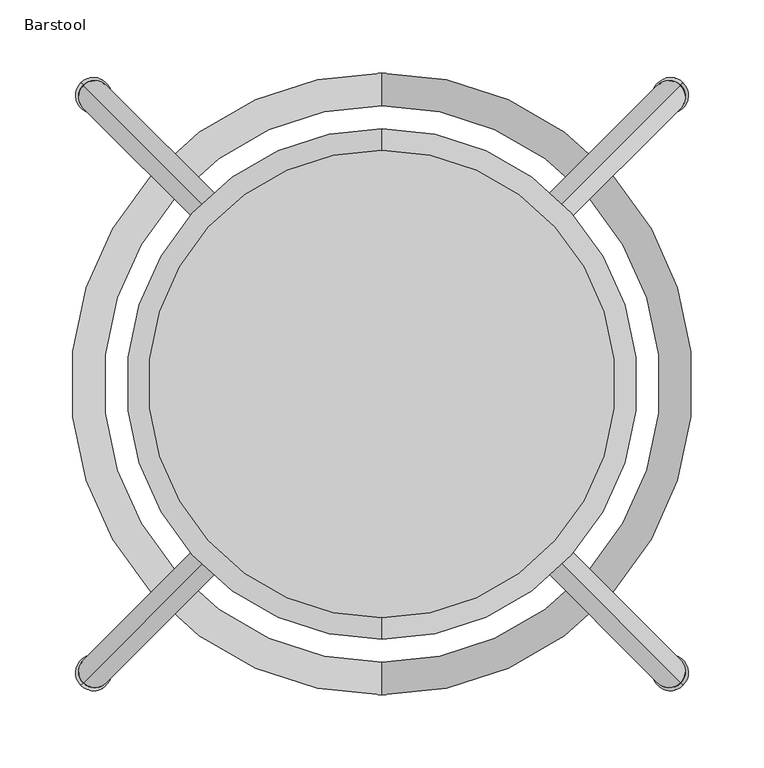
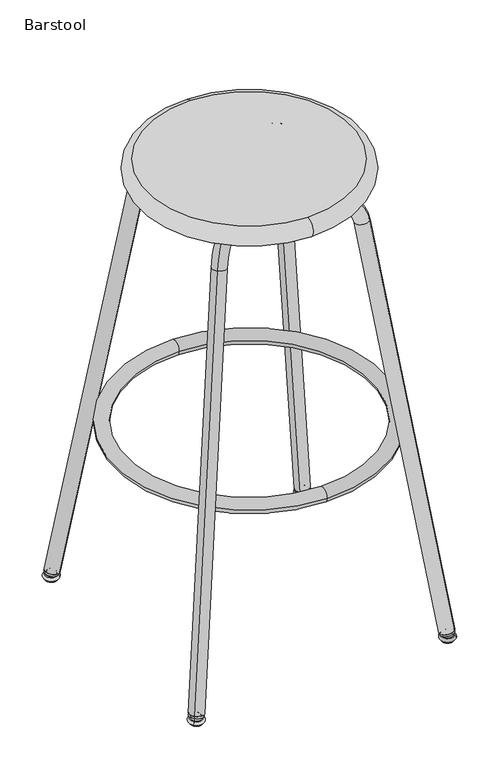
"""IFC4 building model written with IfcOpenShell, lengths in millimetres: furniture geometry, Barstool."""

from ifc_helpers import new_model, si_unit, point, frame, origin, origin_2d, place, context, project, spatial, circle_curve, ellipse_curve, trimmed, segment, composite_curve, outline, extrude, source, transform, mapped, element, save
from ifc_brep_helpers import plane_surface, cylinder_surface, revolved_surface, advanced_brep


def barstool_e946b330(model_context):
    return source(origin(), model_context, "Body", "SolidModel", [
        advanced_brep(
        [(197.848752, 197.8483342, 16.3000797), (192.2626132, 192.2621954, 8.4000865), (203.4348908, 203.4344729, 8.4000865), (191.0445948, 191.0441769, 8.4000865), (204.6529093, 204.6524914, 8.4000865), (191.1893838, 191.1889659, 3.1000115), (204.5081203, 204.5077024, 3.1000115), (191.1893838, 191.1889659, 1.4499962), (204.5081203, 204.5077024, 1.4499962), (192.2146859, 192.2142681, 0.0), (203.4828181, 203.4824003, 0.0), (197.848752, 197.8483342, 0.0)],
        [
            (0, 1, circle_curve(frame((197.848752, 197.8483342, 8.4000865), z_axis=(0.7071067811865481, -0.707106781186547, 0.0), x_axis=(0.707106781186547, 0.7071067811865481, 0.0)), 7.8999932)),
            (1, 2, circle_curve(frame((197.848752, 197.8483342, 8.4000865), z_axis=(0.0, 0.0, 1.0), x_axis=(-0.707106781186547, -0.7071067811865481, 0.0)), 7.8999932)),
            (2, 0, circle_curve(frame((197.848752, 197.8483342, 8.4000865), z_axis=(0.7071067811865458, -0.7071067811865493, 0.0), x_axis=(-0.7071067811865493, -0.7071067811865458, 0.0)), 7.8999932)),
            (2, 1, circle_curve(frame((197.848752, 197.8483342, 8.4000865), z_axis=(0.0, 0.0, 1.0), x_axis=(-0.707106781186547, -0.7071067811865481, 0.0)), 7.8999932)),
            (1, 3),
            (3, 4, circle_curve(frame((197.848752, 197.8483342, 8.4000865), z_axis=(0.0, 0.0, 1.0), x_axis=(-0.707106781186547, -0.7071067811865481, 0.0)), 9.6225315)),
            (4, 2),
            (4, 3, circle_curve(frame((197.848752, 197.8483342, 8.4000865), z_axis=(0.0, 0.0, 1.0), x_axis=(-0.707106781186547, -0.7071067811865481, 0.0)), 9.6225315)),
            (3, 5, circle_curve(frame((191.0445948, 191.0441769, 5.7460936), z_axis=(0.7071067811865481, -0.707106781186547, 0.0), x_axis=(0.707106781186547, 0.7071067811865481, 0.0)), 2.6539929)),
            (5, 6, circle_curve(frame((197.848752, 197.8483342, 3.1000115), z_axis=(0.0, 0.0, 1.0), x_axis=(-0.707106781186547, -0.7071067811865481, 0.0)), 9.4177689)),
            (6, 4, circle_curve(frame((204.6529093, 204.6524914, 5.7460936), z_axis=(0.7071067811865458, -0.7071067811865493, 0.0), x_axis=(-0.7071067811865493, -0.7071067811865458, 0.0)), 2.6539929)),
            (6, 5, circle_curve(frame((197.848752, 197.8483342, 3.1000115), z_axis=(0.0, 0.0, 1.0), x_axis=(-0.707106781186547, -0.7071067811865481, 0.0)), 9.4177689)),
            (5, 7),
            (7, 8, circle_curve(frame((197.848752, 197.8483342, 1.4499962), z_axis=(0.0, 0.0, 1.0), x_axis=(-0.707106781186547, -0.7071067811865481, 0.0)), 9.4177689)),
            (8, 6),
            (8, 7, circle_curve(frame((197.848752, 197.8483342, 1.4499962), z_axis=(0.0, 0.0, 1.0), x_axis=(-0.707106781186547, -0.7071067811865481, 0.0)), 9.4177689)),
            (7, 9, circle_curve(frame((192.2146859, 192.2142681, 1.4499962), z_axis=(0.7071067811865481, -0.707106781186547, 0.0), x_axis=(0.707106781186547, 0.7071067811865481, 0.0)), 1.4499962)),
            (9, 10, circle_curve(frame((197.848752, 197.8483342, 0.0), z_axis=(0.0, 0.0, 1.0), x_axis=(-0.707106781186547, -0.7071067811865481, 0.0)), 7.9677727)),
            (10, 8, circle_curve(frame((203.4828181, 203.4824003, 1.4499962), z_axis=(0.7071067811865458, -0.7071067811865493, 0.0), x_axis=(-0.7071067811865493, -0.7071067811865458, 0.0)), 1.4499962)),
            (10, 9, circle_curve(frame((197.848752, 197.8483342, 0.0), z_axis=(0.0, 0.0, 1.0), x_axis=(-0.707106781186547, -0.7071067811865481, 0.0)), 7.9677727)),
            (9, 11),
            (11, 10),
        ],
        [
            revolved_surface(trimmed(ellipse_curve(frame((197.848752, 197.8483342, 8.4000865), z_axis=(-0.7071067811865481, 0.707106781186547, 0.0), x_axis=(0.707106781186547, 0.7071067811865481, 0.0)), 7.8999932, 7.8999932), [point((192.2626132, 192.2621954, 8.4000865))], [point((197.848752, 197.8483342, 16.3000797))], True, "CARTESIAN"), (197.848752, 197.8483342, 16.3000797), (0.0, 0.0, 1.0)),
            plane_surface(frame((197.848752, 197.8483342, 8.4000865), z_axis=(0.0, 0.0, 1.0000000000000002), x_axis=(-0.707106781186547, -0.7071067811865481, 0.0))),
            revolved_surface(trimmed(ellipse_curve(frame((191.0445948, 191.0441769, 5.7460936), z_axis=(-0.7071067811865481, 0.707106781186547, 0.0), x_axis=(0.707106781186547, 0.7071067811865481, 0.0)), 2.6539929, 2.6539929), [point((191.1893838, 191.1889659, 3.1000115))], [point((191.0445948, 191.0441769, 8.4000865))], True, "CARTESIAN"), (197.848752, 197.8483342, 16.3000797), (0.0, 0.0, 1.0)),
            cylinder_surface(frame((197.848752, 197.8483342, 16.3000797), z_axis=(0.0, 0.0, 1.0), x_axis=(-0.707106781186547, -0.7071067811865481, 0.0)), 9.4177689),
            revolved_surface(trimmed(ellipse_curve(frame((192.2146859, 192.2142681, 1.4499962), z_axis=(-0.7071067811865481, 0.707106781186547, 0.0), x_axis=(0.707106781186547, 0.7071067811865481, 0.0)), 1.4499962, 1.4499962), [point((192.2146859, 192.2142681, 0.0))], [point((191.1893838, 191.1889659, 1.4499962))], True, "CARTESIAN"), (197.848752, 197.8483342, 16.3000797), (0.0, 0.0, 1.0)),
            plane_surface(frame((197.848752, 197.8483342, 0.0), z_axis=(0.0, 0.0, -1.0000000000000002), x_axis=(-0.707106781186547, -0.7071067811865481, 0.0))),
        ],
        [
            (0, [[1, 2, 3]]),
            (0, [[-3, 4, -1]]),
            (1, [[-2, 5, 6, 7]]),
            (1, [[-4, -7, 8, -5]]),
            (2, [[-6, 9, 10, 11]]),
            (2, [[-8, -11, 12, -9]]),
            (3, [[-10, 13, 14, 15]]),
            (3, [[-12, -15, 16, -13]]),
            (4, [[-14, 17, 18, 19]]),
            (4, [[-16, -19, 20, -17]]),
            (5, [[-18, 21, 22]]),
            (5, [[-20, -22, -21]]),
        ],
    ),
        extrude(outline(composite_curve([segment(trimmed(circle_curve(origin_2d(), 10.8808144), [point((1e-07, -10.8808143))], [point((0.0, 10.8808144))], False, "CARTESIAN"), True, "CONTINUOUS"), segment(trimmed(circle_curve(origin_2d(), 10.8808144), [point((0.0, 10.8808144))], [point((1e-07, -10.8808143))], False, "CARTESIAN"), True, "CONTINUOUS")], self_intersect=False)), frame((197.306825, 197.3064071, 12.0385897), z_axis=(-0.12580943590184507, -0.1258094359018453, 0.9840447000396471), x_axis=(-0.7071067811865481, 0.7071067811865469, 0.0)), (0.0, 0.0, 1.0), 3.0595967),
        advanced_brep(
        [(189.1686646, 189.1682467, 13.0668423), (204.6751331, 204.6747152, 17.0318969), (120.1861909, 120.185773, 677.8677465), (104.6797179, 104.6793, 673.9027268), (84.5809729, 84.580555, 697.6482886), (84.5809729, 84.580555, 719.9333237), (0.0002089, -0.0002089, 697.6482886), (0.0002089, -0.0002089, 719.9333237)],
        [
            (0, 1, circle_curve(frame((196.9218988, 196.921481, 15.0493696), z_axis=(0.1258116490323875, 0.12581164903238776, -0.9840441341400815), x_axis=(0.6958242802372958, 0.6958242802372967, 0.17792454036612648)), 11.1425176)),
            (1, 0, circle_curve(frame((196.9218988, 196.921481, 15.0493696), z_axis=(0.1258116490323875, 0.12581164903238776, -0.9840441341400815), x_axis=(0.6958242802372958, 0.6958242802372967, 0.17792454036612648)), 11.1425176)),
            (1, 2),
            (2, 3, circle_curve(frame((112.4329566, 112.4325388, 675.8852192), z_axis=(0.12580943590184657, 0.12580943590184676, -0.9840447000396468), x_axis=(0.6958246803887159, 0.6958246803887167, 0.1779214105269001)), 11.1425176)),
            (3, 0),
            (3, 2, circle_curve(frame((112.4329566, 112.4325388, 675.8852192), z_axis=(0.12580943590184657, 0.12580943590184676, -0.9840447000396468), x_axis=(0.6958246803887159, 0.6958246803887167, 0.1779214105269001)), 11.1425176)),
            (4, 3, circle_curve(frame((84.5809729, 84.580555, 668.7635054), z_axis=(-0.7071067811865481, 0.707106781186547, 0.0), x_axis=(0.6958246803887158, 0.6958246803887168, 0.17792141052690022)), 28.8847832)),
            (2, 5, circle_curve(frame((84.5809729, 84.580555, 668.7635054), z_axis=(0.7071067811865481, -0.707106781186547, 0.0), x_axis=(0.6958246803887158, 0.6958246803887168, 0.17792141052690022)), 51.1698183)),
            (5, 4, circle_curve(frame((84.5809729, 84.580555, 708.7908062), z_axis=(0.707106781186547, 0.7071067811865481, 0.0), x_axis=(0.0, 0.0, 1.0000000000000002)), 11.1425176)),
            (4, 5, circle_curve(frame((84.5809729, 84.580555, 708.7908062), z_axis=(0.7071067811865471, 0.7071067811865481, 0.0), x_axis=(0.0, 0.0, 1.0000000000000002)), 11.1425176)),
            (6, 7, circle_curve(frame((0.0002089, -0.0002089, 708.7908062), z_axis=(-0.707106781186547, -0.7071067811865481, 0.0), x_axis=(0.0, 0.0, 1.0)), 11.1425176)),
            (7, 6, circle_curve(frame((0.0002089, -0.0002089, 708.7908062), z_axis=(-0.707106781186547, -0.7071067811865481, 0.0), x_axis=(0.0, 0.0, 1.0)), 11.1425176)),
            (5, 7),
            (6, 4),
        ],
        [
            plane_surface(frame((196.9218988, 196.921481, 15.0493696), z_axis=(0.1258116490323875, 0.12581164903238776, -0.9840441341400816), x_axis=(-0.7071067811865481, 0.707106781186547, 0.0))),
            cylinder_surface(frame((196.9218988, 196.921481, 15.0493696), z_axis=(0.1258116490323875, 0.12581164903238776, -0.9840441341400815), x_axis=(0.6958242802372958, 0.6958242802372967, 0.17792454036612648)), 11.1425176),
            revolved_surface(trimmed(ellipse_curve(frame((112.4329566, 112.4325388, 675.8852192), z_axis=(0.12580943590184657, 0.12580943590184676, -0.9840447000396468), x_axis=(0.6958246803887159, 0.6958246803887167, 0.1779214105269001)), 11.1425176, 11.1425176), [point((120.1861953, 120.1857775, 677.8677116))], [point((104.6797179, 104.6793, 673.9027268))], True, "CARTESIAN"), (84.5809729, 84.580555, 668.7635054), (0.7071067811865481, -0.707106781186547, 0.0)),
            revolved_surface(trimmed(ellipse_curve(frame((112.4329566, 112.4325388, 675.8852192), z_axis=(0.12580943590184657, 0.12580943590184676, -0.9840447000396468), x_axis=(0.6958246803887159, 0.6958246803887167, 0.1779214105269001)), 11.1425176, 11.1425176), [point((104.6797179, 104.6793, 673.9027268))], [point((120.1861953, 120.1857775, 677.8677116))], True, "CARTESIAN"), (84.5809729, 84.580555, 668.7635054), (0.7071067811865481, -0.707106781186547, 0.0)),
            plane_surface(frame((0.0002089, -0.0002089, 708.7908062), z_axis=(-0.707106781186547, -0.707106781186548, 0.0), x_axis=(-0.707106781186548, 0.707106781186547, 0.0))),
            cylinder_surface(frame((84.5809729, 84.580555, 708.7908062), z_axis=(0.7071067811865469, 0.707106781186548, 0.0), x_axis=(0.0, 0.0, 1.0)), 11.1425176),
        ],
        [
            (0, [[1, 2]]),
            (1, [[-2, 3, 4, 5]]),
            (1, [[-1, -5, 6, -3]]),
            (2, [[7, -4, 8, 9]]),
            (3, [[-8, -6, -7, 10]]),
            (4, [[11, 12]]),
            (5, [[-9, 13, -11, 14]]),
            (5, [[-10, -14, -12, -13]]),
        ],
    ),
        advanced_brep(
        [(197.848752, -197.848752, 16.3000797), (192.2626132, -192.2626132, 8.4000865), (203.4348908, -203.4348908, 8.4000865), (191.0445948, -191.0445948, 8.4000865), (204.6529093, -204.6529093, 8.4000865), (191.1893838, -191.1893838, 3.1000115), (204.5081203, -204.5081203, 3.1000115), (191.1893838, -191.1893838, 1.4499962), (204.5081203, -204.5081203, 1.4499962), (192.2146859, -192.2146859, 0.0), (203.4828181, -203.4828181, 0.0), (197.848752, -197.848752, 0.0)],
        [
            (0, 1, circle_curve(frame((197.848752, -197.848752, 8.4000865), z_axis=(-0.707106781186547, -0.7071067811865481, 0.0), x_axis=(0.7071067811865481, -0.707106781186547, 0.0)), 7.8999932)),
            (1, 2, circle_curve(frame((197.848752, -197.848752, 8.4000865), z_axis=(0.0, 0.0, 1.0), x_axis=(-0.7071067811865481, 0.707106781186547, 0.0)), 7.8999932)),
            (2, 0, circle_curve(frame((197.848752, -197.848752, 8.4000865), z_axis=(-0.7071067811865493, -0.7071067811865458, 0.0), x_axis=(-0.7071067811865458, 0.7071067811865493, 0.0)), 7.8999932)),
            (2, 1, circle_curve(frame((197.848752, -197.848752, 8.4000865), z_axis=(0.0, 0.0, 1.0), x_axis=(-0.7071067811865481, 0.707106781186547, 0.0)), 7.8999932)),
            (1, 3),
            (3, 4, circle_curve(frame((197.848752, -197.848752, 8.4000865), z_axis=(0.0, 0.0, 1.0), x_axis=(-0.7071067811865481, 0.707106781186547, 0.0)), 9.6225315)),
            (4, 2),
            (4, 3, circle_curve(frame((197.848752, -197.848752, 8.4000865), z_axis=(0.0, 0.0, 1.0), x_axis=(-0.7071067811865481, 0.707106781186547, 0.0)), 9.6225315)),
            (3, 5, circle_curve(frame((191.0445948, -191.0445948, 5.7460936), z_axis=(-0.707106781186547, -0.7071067811865481, 0.0), x_axis=(0.7071067811865481, -0.707106781186547, 0.0)), 2.6539929)),
            (5, 6, circle_curve(frame((197.848752, -197.848752, 3.1000115), z_axis=(0.0, 0.0, 1.0), x_axis=(-0.7071067811865481, 0.707106781186547, 0.0)), 9.4177689)),
            (6, 4, circle_curve(frame((204.6529093, -204.6529093, 5.7460936), z_axis=(-0.7071067811865493, -0.7071067811865458, 0.0), x_axis=(-0.7071067811865458, 0.7071067811865493, 0.0)), 2.6539929)),
            (6, 5, circle_curve(frame((197.848752, -197.848752, 3.1000115), z_axis=(0.0, 0.0, 1.0), x_axis=(-0.7071067811865481, 0.707106781186547, 0.0)), 9.4177689)),
            (5, 7),
            (7, 8, circle_curve(frame((197.848752, -197.848752, 1.4499962), z_axis=(0.0, 0.0, 1.0), x_axis=(-0.7071067811865481, 0.707106781186547, 0.0)), 9.4177689)),
            (8, 6),
            (8, 7, circle_curve(frame((197.848752, -197.848752, 1.4499962), z_axis=(0.0, 0.0, 1.0), x_axis=(-0.7071067811865481, 0.707106781186547, 0.0)), 9.4177689)),
            (7, 9, circle_curve(frame((192.2146859, -192.2146859, 1.4499962), z_axis=(-0.707106781186547, -0.7071067811865481, 0.0), x_axis=(0.7071067811865481, -0.707106781186547, 0.0)), 1.4499962)),
            (9, 10, circle_curve(frame((197.848752, -197.848752, 0.0), z_axis=(0.0, 0.0, 1.0), x_axis=(-0.7071067811865481, 0.707106781186547, 0.0)), 7.9677727)),
            (10, 8, circle_curve(frame((203.4828181, -203.4828181, 1.4499962), z_axis=(-0.7071067811865493, -0.7071067811865458, 0.0), x_axis=(-0.7071067811865458, 0.7071067811865493, 0.0)), 1.4499962)),
            (10, 9, circle_curve(frame((197.848752, -197.848752, 0.0), z_axis=(0.0, 0.0, 1.0), x_axis=(-0.7071067811865481, 0.707106781186547, 0.0)), 7.9677727)),
            (9, 11),
            (11, 10),
        ],
        [
            revolved_surface(trimmed(ellipse_curve(frame((197.848752, -197.848752, 8.4000865), z_axis=(0.707106781186547, 0.7071067811865481, 0.0), x_axis=(0.7071067811865481, -0.707106781186547, 0.0)), 7.8999932, 7.8999932), [point((192.2626132, -192.2626132, 8.4000865))], [point((197.848752, -197.848752, 16.3000797))], True, "CARTESIAN"), (197.848752, -197.848752, 16.3000797), (0.0, 0.0, 1.0)),
            plane_surface(frame((197.848752, -197.848752, 8.4000865), z_axis=(0.0, 0.0, 1.0000000000000002), x_axis=(-0.7071067811865481, 0.707106781186547, 0.0))),
            revolved_surface(trimmed(ellipse_curve(frame((191.0445948, -191.0445948, 5.7460936), z_axis=(0.707106781186547, 0.7071067811865481, 0.0), x_axis=(0.7071067811865481, -0.707106781186547, 0.0)), 2.6539929, 2.6539929), [point((191.1893838, -191.1893838, 3.1000115))], [point((191.0445948, -191.0445948, 8.4000865))], True, "CARTESIAN"), (197.848752, -197.848752, 16.3000797), (0.0, 0.0, 1.0)),
            cylinder_surface(frame((197.848752, -197.848752, 16.3000797), z_axis=(0.0, 0.0, 1.0), x_axis=(-0.7071067811865481, 0.707106781186547, 0.0)), 9.4177689),
            revolved_surface(trimmed(ellipse_curve(frame((192.2146859, -192.2146859, 1.4499962), z_axis=(0.707106781186547, 0.7071067811865481, 0.0), x_axis=(0.7071067811865481, -0.707106781186547, 0.0)), 1.4499962, 1.4499962), [point((192.2146859, -192.2146859, 0.0))], [point((191.1893838, -191.1893838, 1.4499962))], True, "CARTESIAN"), (197.848752, -197.848752, 16.3000797), (0.0, 0.0, 1.0)),
            plane_surface(frame((197.848752, -197.848752, 0.0), z_axis=(0.0, 0.0, -1.0000000000000002), x_axis=(-0.7071067811865481, 0.707106781186547, 0.0))),
        ],
        [
            (0, [[1, 2, 3]]),
            (0, [[-3, 4, -1]]),
            (1, [[-2, 5, 6, 7]]),
            (1, [[-4, -7, 8, -5]]),
            (2, [[-6, 9, 10, 11]]),
            (2, [[-8, -11, 12, -9]]),
            (3, [[-10, 13, 14, 15]]),
            (3, [[-12, -15, 16, -13]]),
            (4, [[-14, 17, 18, 19]]),
            (4, [[-16, -19, 20, -17]]),
            (5, [[-18, 21, 22]]),
            (5, [[-20, -22, -21]]),
        ],
    ),
        extrude(outline(composite_curve([segment(trimmed(circle_curve(origin_2d(), 10.8808144), [point((0.0, -10.8808142))], [point((0.0, 10.8808144))], False, "CARTESIAN"), True, "CONTINUOUS"), segment(trimmed(circle_curve(origin_2d(), 10.8808144), [point((0.0, 10.8808144))], [point((0.0, -10.8808142))], False, "CARTESIAN"), True, "CONTINUOUS")], self_intersect=False)), frame((197.306825, -197.306825, 12.0385897), z_axis=(-0.12580943590184526, 0.1258094359018451, 0.9840447000396471), x_axis=(0.707106781186547, 0.707106781186548, 0.0)), (0.0, 0.0, 1.0), 3.0595967),
        advanced_brep(
        [(189.1686646, -189.1686646, 13.0668423), (204.6751331, -204.6751331, 17.0318969), (120.1861909, -120.1861909, 677.8677465), (104.6797179, -104.6797179, 673.9027268), (84.5809729, -84.5809729, 697.6482886), (84.5809729, -84.5809729, 719.9333237), (0.0002089, -0.0002089, 697.6482886), (0.0002089, -0.0002089, 719.9333237)],
        [
            (0, 1, circle_curve(frame((196.9218988, -196.9218988, 15.0493696), z_axis=(0.1258116490323893, -0.12581164903238906, -0.9840441341400811), x_axis=(0.6958242802372964, -0.6958242802372955, 0.17792454036612868)), 11.1425176)),
            (1, 0, circle_curve(frame((196.9218988, -196.9218988, 15.0493696), z_axis=(0.1258116490323893, -0.12581164903238906, -0.9840441341400811), x_axis=(0.6958242802372964, -0.6958242802372955, 0.17792454036612868)), 11.1425176)),
            (1, 2),
            (2, 3, circle_curve(frame((112.4329566, -112.4329566, 675.8852192), z_axis=(0.12580943590184673, -0.1258094359018466, -0.9840447000396468), x_axis=(0.6958246803887168, -0.6958246803887158, 0.17792141052690014)), 11.1425176)),
            (3, 0),
            (3, 2, circle_curve(frame((112.4329566, -112.4329566, 675.8852192), z_axis=(0.12580943590184673, -0.1258094359018466, -0.9840447000396468), x_axis=(0.6958246803887168, -0.6958246803887158, 0.17792141052690014)), 11.1425176)),
            (4, 3, circle_curve(frame((84.5809729, -84.5809729, 668.7635054), z_axis=(0.707106781186547, 0.7071067811865481, 0.0), x_axis=(0.6958246803887168, -0.6958246803887158, 0.17792141052690016)), 28.8847832)),
            (2, 5, circle_curve(frame((84.5809729, -84.5809729, 668.7635054), z_axis=(-0.707106781186547, -0.7071067811865481, 0.0), x_axis=(0.6958246803887168, -0.6958246803887158, 0.17792141052690016)), 51.1698183)),
            (5, 4, circle_curve(frame((84.5809729, -84.5809729, 708.7908062), z_axis=(0.7071067811865481, -0.7071067811865471, 0.0), x_axis=(0.0, 0.0, 1.0000000000000002)), 11.1425176)),
            (4, 5, circle_curve(frame((84.5809729, -84.5809729, 708.7908062), z_axis=(0.7071067811865481, -0.707106781186547, 0.0), x_axis=(0.0, 0.0, 1.0000000000000002)), 11.1425176)),
            (6, 7, circle_curve(frame((0.0002089, -0.0002089, 708.7908062), z_axis=(-0.7071067811865481, 0.707106781186547, 0.0), x_axis=(0.0, 0.0, 1.0)), 11.1425176)),
            (7, 6, circle_curve(frame((0.0002089, -0.0002089, 708.7908062), z_axis=(-0.7071067811865481, 0.707106781186547, 0.0), x_axis=(0.0, 0.0, 1.0)), 11.1425176)),
            (5, 7),
            (6, 4),
        ],
        [
            plane_surface(frame((196.9218988, -196.9218988, 15.0493696), z_axis=(0.12581164903238928, -0.12581164903238912, -0.9840441341400812), x_axis=(0.7071067811865471, 0.707106781186548, 0.0))),
            cylinder_surface(frame((196.9218988, -196.9218988, 15.0493696), z_axis=(0.1258116490323893, -0.12581164903238906, -0.9840441341400811), x_axis=(0.6958242802372964, -0.6958242802372955, 0.17792454036612868)), 11.1425176),
            revolved_surface(trimmed(ellipse_curve(frame((112.4329566, -112.4329566, 675.8852192), z_axis=(0.12580943590184673, -0.1258094359018466, -0.9840447000396468), x_axis=(0.6958246803887168, -0.6958246803887158, 0.17792141052690014)), 11.1425176, 11.1425176), [point((120.1861953, -120.1861953, 677.8677116))], [point((104.6797179, -104.6797179, 673.9027268))], True, "CARTESIAN"), (84.5809729, -84.5809729, 668.7635054), (-0.707106781186547, -0.7071067811865481, 0.0)),
            revolved_surface(trimmed(ellipse_curve(frame((112.4329566, -112.4329566, 675.8852192), z_axis=(0.12580943590184673, -0.1258094359018466, -0.9840447000396468), x_axis=(0.6958246803887168, -0.6958246803887158, 0.17792141052690014)), 11.1425176, 11.1425176), [point((104.6797179, -104.6797179, 673.9027268))], [point((120.1861953, -120.1861953, 677.8677116))], True, "CARTESIAN"), (84.5809729, -84.5809729, 668.7635054), (-0.707106781186547, -0.7071067811865481, 0.0)),
            plane_surface(frame((0.0002089, -0.0002089, 708.7908062), z_axis=(-0.7071067811865481, 0.707106781186547, 0.0), x_axis=(0.707106781186547, 0.7071067811865481, 0.0))),
            cylinder_surface(frame((84.5809729, -84.5809729, 708.7908062), z_axis=(0.7071067811865481, -0.707106781186547, 0.0), x_axis=(0.0, 0.0, 1.0)), 11.1425176),
        ],
        [
            (0, [[1, 2]]),
            (1, [[-2, 3, 4, 5]]),
            (1, [[-1, -5, 6, -3]]),
            (2, [[7, -4, 8, 9]]),
            (3, [[-8, -6, -7, 10]]),
            (4, [[11, 12]]),
            (5, [[-9, 13, -11, 14]]),
            (5, [[-10, -14, -12, -13]]),
        ],
    ),
        advanced_brep(
        [(-203.4348908, 203.4344729, 8.4000865), (-192.2626132, 192.2621954, 8.4000865), (-197.848752, 197.8483342, 16.3000797), (-204.6529093, 204.6524914, 8.4000865), (-191.0445948, 191.0441769, 8.4000865), (-204.5081203, 204.5077024, 3.1000115), (-191.1893838, 191.1889659, 3.1000115), (-204.5081203, 204.5077024, 1.4499962), (-191.1893838, 191.1889659, 1.4499962), (-203.4828181, 203.4824003, 0.0), (-192.2146859, 192.2142681, 0.0), (-197.848752, 197.8483342, 0.0)],
        [
            (0, 1, circle_curve(frame((-197.848752, 197.8483342, 8.4000865), z_axis=(0.0, 0.0, 1.0), x_axis=(0.707106781186547, -0.7071067811865481, 0.0)), 7.8999932)),
            (1, 2, circle_curve(frame((-197.848752, 197.8483342, 8.4000865), z_axis=(-0.7071067811865481, -0.707106781186547, 0.0), x_axis=(-0.707106781186547, 0.7071067811865481, 0.0)), 7.8999932)),
            (2, 0, circle_curve(frame((-197.848752, 197.8483342, 8.4000865), z_axis=(-0.7071067811865458, -0.7071067811865493, 0.0), x_axis=(0.7071067811865493, -0.7071067811865458, 0.0)), 7.8999932)),
            (1, 0, circle_curve(frame((-197.848752, 197.8483342, 8.4000865), z_axis=(0.0, 0.0, 1.0), x_axis=(0.707106781186547, -0.7071067811865481, 0.0)), 7.8999932)),
            (3, 4, circle_curve(frame((-197.848752, 197.8483342, 8.4000865), z_axis=(0.0, 0.0, 1.0), x_axis=(0.707106781186547, -0.7071067811865481, 0.0)), 9.6225315)),
            (4, 1),
            (0, 3),
            (4, 3, circle_curve(frame((-197.848752, 197.8483342, 8.4000865), z_axis=(0.0, 0.0, 1.0), x_axis=(0.707106781186547, -0.7071067811865481, 0.0)), 9.6225315)),
            (5, 6, circle_curve(frame((-197.848752, 197.8483342, 3.1000115), z_axis=(0.0, 0.0, 1.0), x_axis=(0.707106781186547, -0.7071067811865481, 0.0)), 9.4177689)),
            (6, 4, circle_curve(frame((-191.0445948, 191.0441769, 5.7460936), z_axis=(-0.7071067811865481, -0.707106781186547, 0.0), x_axis=(-0.707106781186547, 0.7071067811865481, 0.0)), 2.6539929)),
            (3, 5, circle_curve(frame((-204.6529093, 204.6524914, 5.7460936), z_axis=(-0.7071067811865458, -0.7071067811865493, 0.0), x_axis=(0.7071067811865493, -0.7071067811865458, 0.0)), 2.6539929)),
            (6, 5, circle_curve(frame((-197.848752, 197.8483342, 3.1000115), z_axis=(0.0, 0.0, 1.0), x_axis=(0.707106781186547, -0.7071067811865481, 0.0)), 9.4177689)),
            (7, 8, circle_curve(frame((-197.848752, 197.8483342, 1.4499962), z_axis=(0.0, 0.0, 1.0), x_axis=(0.707106781186547, -0.7071067811865481, 0.0)), 9.4177689)),
            (8, 6),
            (5, 7),
            (8, 7, circle_curve(frame((-197.848752, 197.8483342, 1.4499962), z_axis=(0.0, 0.0, 1.0), x_axis=(0.707106781186547, -0.7071067811865481, 0.0)), 9.4177689)),
            (9, 10, circle_curve(frame((-197.848752, 197.8483342, 0.0), z_axis=(0.0, 0.0, 1.0), x_axis=(0.707106781186547, -0.7071067811865481, 0.0)), 7.9677727)),
            (10, 8, circle_curve(frame((-192.2146859, 192.2142681, 1.4499962), z_axis=(-0.7071067811865481, -0.707106781186547, 0.0), x_axis=(-0.707106781186547, 0.7071067811865481, 0.0)), 1.4499962)),
            (7, 9, circle_curve(frame((-203.4828181, 203.4824003, 1.4499962), z_axis=(-0.7071067811865458, -0.7071067811865493, 0.0), x_axis=(0.7071067811865493, -0.7071067811865458, 0.0)), 1.4499962)),
            (10, 9, circle_curve(frame((-197.848752, 197.8483342, 0.0), z_axis=(0.0, 0.0, 1.0), x_axis=(0.707106781186547, -0.7071067811865481, 0.0)), 7.9677727)),
            (11, 10),
            (9, 11),
        ],
        [
            revolved_surface(trimmed(ellipse_curve(frame((-197.848752, 197.8483342, 8.4000865), z_axis=(0.7071067811865481, 0.707106781186547, 0.0), x_axis=(-0.707106781186547, 0.7071067811865481, 0.0)), 7.8999932, 7.8999932), [point((-197.848752, 197.8483342, 16.3000797))], [point((-192.2626132, 192.2621954, 8.4000865))], True, "CARTESIAN"), (-197.848752, 197.8483342, 16.3000797), (0.0, 0.0, -1.0)),
            plane_surface(frame((-197.848752, 197.8483342, 8.4000865), z_axis=(0.0, 0.0, 1.0000000000000002), x_axis=(0.707106781186547, -0.7071067811865481, 0.0))),
            revolved_surface(trimmed(ellipse_curve(frame((-191.0445948, 191.0441769, 5.7460936), z_axis=(0.7071067811865481, 0.707106781186547, 0.0), x_axis=(-0.707106781186547, 0.7071067811865481, 0.0)), 2.6539929, 2.6539929), [point((-191.0445948, 191.0441769, 8.4000865))], [point((-191.1893838, 191.1889659, 3.1000115))], True, "CARTESIAN"), (-197.848752, 197.8483342, 16.3000797), (0.0, 0.0, -1.0)),
            cylinder_surface(frame((-197.848752, 197.8483342, 16.3000797), z_axis=(0.0, 0.0, -1.0), x_axis=(0.707106781186547, -0.7071067811865481, 0.0)), 9.4177689),
            revolved_surface(trimmed(ellipse_curve(frame((-192.2146859, 192.2142681, 1.4499962), z_axis=(0.7071067811865481, 0.707106781186547, 0.0), x_axis=(-0.707106781186547, 0.7071067811865481, 0.0)), 1.4499962, 1.4499962), [point((-191.1893838, 191.1889659, 1.4499962))], [point((-192.2146859, 192.2142681, 0.0))], True, "CARTESIAN"), (-197.848752, 197.8483342, 16.3000797), (0.0, 0.0, -1.0)),
            plane_surface(frame((-197.848752, 197.8483342, 0.0), z_axis=(0.0, 0.0, -1.0000000000000002), x_axis=(0.707106781186547, -0.7071067811865481, 0.0))),
        ],
        [
            (0, [[1, 2, 3]]),
            (0, [[4, -3, -2]]),
            (1, [[5, 6, -1, 7]]),
            (1, [[8, -7, -4, -6]]),
            (2, [[9, 10, -5, 11]]),
            (2, [[12, -11, -8, -10]]),
            (3, [[13, 14, -9, 15]]),
            (3, [[16, -15, -12, -14]]),
            (4, [[17, 18, -13, 19]]),
            (4, [[20, -19, -16, -18]]),
            (5, [[21, -17, 22]]),
            (5, [[-22, -20, -21]]),
        ],
    ),
        extrude(outline(composite_curve([segment(trimmed(circle_curve(origin_2d(), 10.8808144), [point((0.0, -10.8808144))], [point((1e-07, 10.8808143))], False, "CARTESIAN"), True, "CONTINUOUS"), segment(trimmed(circle_curve(origin_2d(), 10.8808144), [point((1e-07, 10.8808143))], [point((0.0, -10.8808144))], False, "CARTESIAN"), True, "CONTINUOUS")], self_intersect=False)), frame((-197.306825, 197.3064071, 12.0385897), z_axis=(0.12580943590184507, -0.1258094359018453, 0.9840447000396471), x_axis=(0.7071067811865481, 0.7071067811865469, 0.0)), (0.0, 0.0, 1.0), 3.0595967),
        advanced_brep(
        [(-204.6751331, 204.6747152, 17.0318969), (-189.1686646, 189.1682467, 13.0668423), (-120.1861909, 120.185773, 677.8677465), (-104.6797179, 104.6793, 673.9027268), (-84.5809729, 84.580555, 697.6482886), (-84.5809729, 84.580555, 719.9333237), (-0.0002089, -0.0002089, 719.9333237), (-0.0002089, -0.0002089, 697.6482886)],
        [
            (0, 1, circle_curve(frame((-196.9218988, 196.921481, 15.0493696), z_axis=(-0.12581164903238656, 0.12581164903238679, -0.9840441341400817), x_axis=(0.6958242802372959, -0.6958242802372969, -0.17792454036612512)), 11.1425176)),
            (1, 0, circle_curve(frame((-196.9218988, 196.921481, 15.0493696), z_axis=(-0.12581164903238656, 0.12581164903238679, -0.9840441341400817), x_axis=(0.6958242802372959, -0.6958242802372969, -0.17792454036612512)), 11.1425176)),
            (0, 2),
            (2, 3, circle_curve(frame((-112.4329566, 112.4325388, 675.8852192), z_axis=(-0.12580943590184654, 0.1258094359018468, -0.9840447000396468), x_axis=(0.6958246803887159, -0.6958246803887167, -0.17792141052690008)), 11.1425176)),
            (3, 1),
            (3, 2, circle_curve(frame((-112.4329566, 112.4325388, 675.8852192), z_axis=(-0.12580943590184654, 0.1258094359018468, -0.9840447000396468), x_axis=(0.6958246803887159, -0.6958246803887167, -0.17792141052690008)), 11.1425176)),
            (4, 3, circle_curve(frame((-84.5809729, 84.580555, 668.7635054), z_axis=(-0.7071067811865481, -0.707106781186547, 0.0), x_axis=(-0.6958246803887158, 0.6958246803887168, 0.17792141052690022)), 28.8847832)),
            (2, 5, circle_curve(frame((-84.5809729, 84.580555, 668.7635054), z_axis=(0.7071067811865481, 0.707106781186547, 0.0), x_axis=(-0.6958246803887158, 0.6958246803887168, 0.17792141052690022)), 51.1698183)),
            (5, 4, circle_curve(frame((-84.5809729, 84.580555, 708.7908062), z_axis=(-0.7071067811865471, 0.7071067811865481, 0.0), x_axis=(0.0, 0.0, -1.0000000000000002)), 11.1425176)),
            (4, 5, circle_curve(frame((-84.5809729, 84.580555, 708.7908062), z_axis=(-0.7071067811865471, 0.7071067811865481, 0.0), x_axis=(0.0, 0.0, -1.0000000000000002)), 11.1425176)),
            (6, 7, circle_curve(frame((-0.0002089, -0.0002089, 708.7908062), z_axis=(0.707106781186547, -0.7071067811865481, 0.0), x_axis=(0.0, 0.0, -1.0)), 11.1425176)),
            (7, 6, circle_curve(frame((-0.0002089, -0.0002089, 708.7908062), z_axis=(0.707106781186547, -0.7071067811865481, 0.0), x_axis=(0.0, 0.0, -1.0)), 11.1425176)),
            (5, 6),
            (7, 4),
        ],
        [
            plane_surface(frame((-196.9218988, 196.921481, 15.0493696), z_axis=(-0.1258116490323866, 0.12581164903238679, -0.9840441341400817), x_axis=(0.7071067811865481, 0.707106781186547, 0.0))),
            cylinder_surface(frame((-196.9218988, 196.921481, 15.0493696), z_axis=(-0.12581164903238656, 0.12581164903238679, -0.9840441341400817), x_axis=(0.6958242802372959, -0.6958242802372969, -0.17792454036612512)), 11.1425176),
            revolved_surface(trimmed(ellipse_curve(frame((-112.4329566, 112.4325388, 675.8852192), z_axis=(-0.12580943590184654, 0.1258094359018468, -0.9840447000396468), x_axis=(0.6958246803887159, -0.6958246803887167, -0.17792141052690008)), 11.1425176, 11.1425176), [point((-120.1861953, 120.1857775, 677.8677116))], [point((-104.6797179, 104.6793, 673.9027268))], True, "CARTESIAN"), (-84.5809729, 84.580555, 668.7635054), (0.7071067811865481, 0.707106781186547, 0.0)),
            revolved_surface(trimmed(ellipse_curve(frame((-112.4329566, 112.4325388, 675.8852192), z_axis=(-0.12580943590184654, 0.1258094359018468, -0.9840447000396468), x_axis=(0.6958246803887159, -0.6958246803887167, -0.17792141052690008)), 11.1425176, 11.1425176), [point((-104.6797179, 104.6793, 673.9027268))], [point((-120.1861953, 120.1857775, 677.8677116))], True, "CARTESIAN"), (-84.5809729, 84.580555, 668.7635054), (0.7071067811865481, 0.707106781186547, 0.0)),
            plane_surface(frame((-0.0002089, -0.0002089, 708.7908062), z_axis=(0.707106781186547, -0.7071067811865482, 0.0), x_axis=(0.7071067811865482, 0.707106781186547, 0.0))),
            cylinder_surface(frame((-84.5809729, 84.580555, 708.7908062), z_axis=(-0.7071067811865469, 0.707106781186548, 0.0), x_axis=(0.0, 0.0, -1.0)), 11.1425176),
        ],
        [
            (0, [[1, 2]]),
            (1, [[-1, 3, 4, 5]]),
            (1, [[-2, -5, 6, -3]]),
            (2, [[7, -4, 8, 9]]),
            (3, [[-8, -6, -7, 10]]),
            (4, [[11, 12]]),
            (5, [[-9, 13, -12, 14]]),
            (5, [[-10, -14, -11, -13]]),
        ],
    ),
        advanced_brep(
        [(-203.4348908, -203.4348908, 8.4000865), (-192.2626132, -192.2626132, 8.4000865), (-197.848752, -197.848752, 16.3000797), (-204.6529093, -204.6529093, 8.4000865), (-191.0445948, -191.0445948, 8.4000865), (-204.5081203, -204.5081203, 3.1000115), (-191.1893838, -191.1893838, 3.1000115), (-204.5081203, -204.5081203, 1.4499962), (-191.1893838, -191.1893838, 1.4499962), (-203.4828181, -203.4828181, 0.0), (-192.2146859, -192.2146859, 0.0), (-197.848752, -197.848752, 0.0)],
        [
            (0, 1, circle_curve(frame((-197.848752, -197.848752, 8.4000865), z_axis=(0.0, 0.0, 1.0), x_axis=(0.7071067811865481, 0.707106781186547, 0.0)), 7.8999932)),
            (1, 2, circle_curve(frame((-197.848752, -197.848752, 8.4000865), z_axis=(0.707106781186547, -0.7071067811865481, 0.0), x_axis=(-0.7071067811865481, -0.707106781186547, 0.0)), 7.8999932)),
            (2, 0, circle_curve(frame((-197.848752, -197.848752, 8.4000865), z_axis=(0.7071067811865493, -0.7071067811865458, 0.0), x_axis=(0.7071067811865458, 0.7071067811865493, 0.0)), 7.8999932)),
            (1, 0, circle_curve(frame((-197.848752, -197.848752, 8.4000865), z_axis=(0.0, 0.0, 1.0), x_axis=(0.7071067811865481, 0.707106781186547, 0.0)), 7.8999932)),
            (3, 4, circle_curve(frame((-197.848752, -197.848752, 8.4000865), z_axis=(0.0, 0.0, 1.0), x_axis=(0.7071067811865481, 0.707106781186547, 0.0)), 9.6225315)),
            (4, 1),
            (0, 3),
            (4, 3, circle_curve(frame((-197.848752, -197.848752, 8.4000865), z_axis=(0.0, 0.0, 1.0), x_axis=(0.7071067811865481, 0.707106781186547, 0.0)), 9.6225315)),
            (5, 6, circle_curve(frame((-197.848752, -197.848752, 3.1000115), z_axis=(0.0, 0.0, 1.0), x_axis=(0.7071067811865481, 0.707106781186547, 0.0)), 9.4177689)),
            (6, 4, circle_curve(frame((-191.0445948, -191.0445948, 5.7460936), z_axis=(0.707106781186547, -0.7071067811865481, 0.0), x_axis=(-0.7071067811865481, -0.707106781186547, 0.0)), 2.6539929)),
            (3, 5, circle_curve(frame((-204.6529093, -204.6529093, 5.7460936), z_axis=(0.7071067811865493, -0.7071067811865458, 0.0), x_axis=(0.7071067811865458, 0.7071067811865493, 0.0)), 2.6539929)),
            (6, 5, circle_curve(frame((-197.848752, -197.848752, 3.1000115), z_axis=(0.0, 0.0, 1.0), x_axis=(0.7071067811865481, 0.707106781186547, 0.0)), 9.4177689)),
            (7, 8, circle_curve(frame((-197.848752, -197.848752, 1.4499962), z_axis=(0.0, 0.0, 1.0), x_axis=(0.7071067811865481, 0.707106781186547, 0.0)), 9.4177689)),
            (8, 6),
            (5, 7),
            (8, 7, circle_curve(frame((-197.848752, -197.848752, 1.4499962), z_axis=(0.0, 0.0, 1.0), x_axis=(0.7071067811865481, 0.707106781186547, 0.0)), 9.4177689)),
            (9, 10, circle_curve(frame((-197.848752, -197.848752, 0.0), z_axis=(0.0, 0.0, 1.0), x_axis=(0.7071067811865481, 0.707106781186547, 0.0)), 7.9677727)),
            (10, 8, circle_curve(frame((-192.2146859, -192.2146859, 1.4499962), z_axis=(0.707106781186547, -0.7071067811865481, 0.0), x_axis=(-0.7071067811865481, -0.707106781186547, 0.0)), 1.4499962)),
            (7, 9, circle_curve(frame((-203.4828181, -203.4828181, 1.4499962), z_axis=(0.7071067811865493, -0.7071067811865458, 0.0), x_axis=(0.7071067811865458, 0.7071067811865493, 0.0)), 1.4499962)),
            (10, 9, circle_curve(frame((-197.848752, -197.848752, 0.0), z_axis=(0.0, 0.0, 1.0), x_axis=(0.7071067811865481, 0.707106781186547, 0.0)), 7.9677727)),
            (11, 10),
            (9, 11),
        ],
        [
            revolved_surface(trimmed(ellipse_curve(frame((-197.848752, -197.848752, 8.4000865), z_axis=(-0.707106781186547, 0.7071067811865481, 0.0), x_axis=(-0.7071067811865481, -0.707106781186547, 0.0)), 7.8999932, 7.8999932), [point((-197.848752, -197.848752, 16.3000797))], [point((-192.2626132, -192.2626132, 8.4000865))], True, "CARTESIAN"), (-197.848752, -197.848752, 16.3000797), (0.0, 0.0, -1.0)),
            plane_surface(frame((-197.848752, -197.848752, 8.4000865), z_axis=(0.0, 0.0, 1.0000000000000002), x_axis=(0.7071067811865481, 0.707106781186547, 0.0))),
            revolved_surface(trimmed(ellipse_curve(frame((-191.0445948, -191.0445948, 5.7460936), z_axis=(-0.707106781186547, 0.7071067811865481, 0.0), x_axis=(-0.7071067811865481, -0.707106781186547, 0.0)), 2.6539929, 2.6539929), [point((-191.0445948, -191.0445948, 8.4000865))], [point((-191.1893838, -191.1893838, 3.1000115))], True, "CARTESIAN"), (-197.848752, -197.848752, 16.3000797), (0.0, 0.0, -1.0)),
            cylinder_surface(frame((-197.848752, -197.848752, 16.3000797), z_axis=(0.0, 0.0, -1.0), x_axis=(0.7071067811865481, 0.707106781186547, 0.0)), 9.4177689),
            revolved_surface(trimmed(ellipse_curve(frame((-192.2146859, -192.2146859, 1.4499962), z_axis=(-0.707106781186547, 0.7071067811865481, 0.0), x_axis=(-0.7071067811865481, -0.707106781186547, 0.0)), 1.4499962, 1.4499962), [point((-191.1893838, -191.1893838, 1.4499962))], [point((-192.2146859, -192.2146859, 0.0))], True, "CARTESIAN"), (-197.848752, -197.848752, 16.3000797), (0.0, 0.0, -1.0)),
            plane_surface(frame((-197.848752, -197.848752, 0.0), z_axis=(0.0, 0.0, -1.0000000000000002), x_axis=(0.7071067811865481, 0.707106781186547, 0.0))),
        ],
        [
            (0, [[1, 2, 3]]),
            (0, [[4, -3, -2]]),
            (1, [[5, 6, -1, 7]]),
            (1, [[8, -7, -4, -6]]),
            (2, [[9, 10, -5, 11]]),
            (2, [[12, -11, -8, -10]]),
            (3, [[13, 14, -9, 15]]),
            (3, [[16, -15, -12, -14]]),
            (4, [[17, 18, -13, 19]]),
            (4, [[20, -19, -16, -18]]),
            (5, [[21, -17, 22]]),
            (5, [[-22, -20, -21]]),
        ],
    ),
        extrude(outline(composite_curve([segment(trimmed(circle_curve(origin_2d(), 10.8808144), [point((0.0, -10.8808144))], [point((0.0, 10.8808142))], False, "CARTESIAN"), True, "CONTINUOUS"), segment(trimmed(circle_curve(origin_2d(), 10.8808144), [point((0.0, 10.8808142))], [point((0.0, -10.8808144))], False, "CARTESIAN"), True, "CONTINUOUS")], self_intersect=False)), frame((-197.306825, -197.306825, 12.0385897), z_axis=(0.12580943590184526, 0.1258094359018451, 0.9840447000396471), x_axis=(-0.707106781186547, 0.707106781186548, 0.0)), (0.0, 0.0, 1.0), 3.0595967),
        advanced_brep(
        [(-204.6751331, -204.6751331, 17.0318969), (-189.1686646, -189.1686646, 13.0668423), (-120.1861909, -120.1861909, 677.8677465), (-104.6797179, -104.6797179, 673.9027268), (-84.5809729, -84.5809729, 697.6482886), (-84.5809729, -84.5809729, 719.9333237), (-0.0002089, -0.0002089, 719.9333237), (-0.0002089, -0.0002089, 697.6482886)],
        [
            (0, 1, circle_curve(frame((-196.9218988, -196.9218988, 15.0493696), z_axis=(-0.12581164903238817, -0.12581164903238803, -0.9840441341400814), x_axis=(0.6958242802372965, 0.6958242802372958, -0.17792454036612715)), 11.1425176)),
            (1, 0, circle_curve(frame((-196.9218988, -196.9218988, 15.0493696), z_axis=(-0.12581164903238817, -0.12581164903238803, -0.9840441341400814), x_axis=(0.6958242802372965, 0.6958242802372958, -0.17792454036612715)), 11.1425176)),
            (0, 2),
            (2, 3, circle_curve(frame((-112.4329566, -112.4329566, 675.8852192), z_axis=(-0.12580943590184673, -0.1258094359018466, -0.9840447000396468), x_axis=(0.6958246803887164, 0.6958246803887163, -0.17792141052690014)), 11.1425176)),
            (3, 1),
            (3, 2, circle_curve(frame((-112.4329566, -112.4329566, 675.8852192), z_axis=(-0.12580943590184673, -0.1258094359018466, -0.9840447000396468), x_axis=(0.6958246803887164, 0.6958246803887163, -0.17792141052690014)), 11.1425176)),
            (4, 3, circle_curve(frame((-84.5809729, -84.5809729, 668.7635054), z_axis=(0.707106781186547, -0.7071067811865481, 0.0), x_axis=(-0.6958246803887168, -0.6958246803887158, 0.17792141052690016)), 28.8847832)),
            (2, 5, circle_curve(frame((-84.5809729, -84.5809729, 668.7635054), z_axis=(-0.707106781186547, 0.7071067811865481, 0.0), x_axis=(-0.6958246803887168, -0.6958246803887158, 0.17792141052690016)), 51.1698183)),
            (5, 4, circle_curve(frame((-84.5809729, -84.5809729, 708.7908062), z_axis=(-0.7071067811865481, -0.7071067811865471, 0.0), x_axis=(0.0, 0.0, -1.0)), 11.1425176)),
            (4, 5, circle_curve(frame((-84.5809729, -84.5809729, 708.7908062), z_axis=(-0.7071067811865481, -0.707106781186547, 0.0), x_axis=(0.0, 0.0, -1.0000000000000002)), 11.1425176)),
            (6, 7, circle_curve(frame((-0.0002089, -0.0002089, 708.7908062), z_axis=(0.7071067811865481, 0.707106781186547, 0.0), x_axis=(0.0, 0.0, -1.0)), 11.1425176)),
            (7, 6, circle_curve(frame((-0.0002089, -0.0002089, 708.7908062), z_axis=(0.7071067811865481, 0.707106781186547, 0.0), x_axis=(0.0, 0.0, -1.0)), 11.1425176)),
            (5, 6),
            (7, 4),
        ],
        [
            plane_surface(frame((-196.9218988, -196.9218988, 15.0493696), z_axis=(-0.12581164903238823, -0.12581164903238806, -0.9840441341400814), x_axis=(-0.7071067811865469, 0.7071067811865482, 0.0))),
            cylinder_surface(frame((-196.9218988, -196.9218988, 15.0493696), z_axis=(-0.12581164903238817, -0.12581164903238803, -0.9840441341400814), x_axis=(0.6958242802372965, 0.6958242802372958, -0.17792454036612715)), 11.1425176),
            revolved_surface(trimmed(ellipse_curve(frame((-112.4329566, -112.4329566, 675.8852192), z_axis=(-0.12580943590184673, -0.1258094359018466, -0.9840447000396468), x_axis=(0.6958246803887164, 0.6958246803887163, -0.17792141052690014)), 11.1425176, 11.1425176), [point((-120.1861953, -120.1861953, 677.8677116))], [point((-104.6797179, -104.6797179, 673.9027268))], True, "CARTESIAN"), (-84.5809729, -84.5809729, 668.7635054), (-0.707106781186547, 0.7071067811865481, 0.0)),
            revolved_surface(trimmed(ellipse_curve(frame((-112.4329566, -112.4329566, 675.8852192), z_axis=(-0.12580943590184673, -0.1258094359018466, -0.9840447000396468), x_axis=(0.6958246803887164, 0.6958246803887163, -0.17792141052690014)), 11.1425176, 11.1425176), [point((-104.6797179, -104.6797179, 673.9027268))], [point((-120.1861953, -120.1861953, 677.8677116))], True, "CARTESIAN"), (-84.5809729, -84.5809729, 668.7635054), (-0.707106781186547, 0.7071067811865481, 0.0)),
            plane_surface(frame((-0.0002089, -0.0002089, 708.7908062), z_axis=(0.7071067811865481, 0.707106781186547, 0.0), x_axis=(-0.707106781186547, 0.7071067811865481, 0.0))),
            cylinder_surface(frame((-84.5809729, -84.5809729, 708.7908062), z_axis=(-0.7071067811865481, -0.707106781186547, 0.0), x_axis=(0.0, 0.0, -1.0)), 11.1425176),
        ],
        [
            (0, [[1, 2]]),
            (1, [[-1, 3, 4, 5]]),
            (1, [[-2, -5, 6, -3]]),
            (2, [[7, -4, 8, 9]]),
            (3, [[-8, -6, -7, 10]]),
            (4, [[11, 12]]),
            (5, [[-9, 13, -12, 14]]),
            (5, [[-10, -14, -11, -13]]),
        ],
    ),
        advanced_brep(
        [(0.0, -160.2786886, 720.09), (0.0, 160.2786886, 720.09), (0.0, 160.2786886, 749.808), (0.0, -160.2786886, 749.808)],
        [
            (0, 1, circle_curve(frame((0.0, 0.0, 720.09), z_axis=(0.0, 0.0, 1.0), x_axis=(0.0, 1.0, 0.0)), 160.2786886)),
            (1, 2, circle_curve(frame((0.0, 160.2786886, 734.949), z_axis=(1.0, 0.0, 0.0), x_axis=(0.0, 1.0, 0.0)), 14.859)),
            (2, 3, circle_curve(frame((0.0, 0.0, 749.808), z_axis=(0.0, 0.0, -1.0), x_axis=(0.0, 1.0, 0.0)), 160.2786886)),
            (3, 0, circle_curve(frame((0.0, -160.2786886, 734.949), z_axis=(1.0, 0.0, 0.0), x_axis=(0.0, -1.0, 0.0)), 14.859)),
            (2, 3, circle_curve(frame((0.0, 0.0, 749.808), z_axis=(0.0, 0.0, 1.0), x_axis=(0.0, -1.0, 0.0)), 160.2786886)),
            (1, 0, circle_curve(frame((0.0, 0.0, 720.09), z_axis=(0.0, 0.0, 1.0), x_axis=(0.0, -1.0, 0.0)), 160.2786886)),
        ],
        [
            revolved_surface(trimmed(ellipse_curve(frame((0.0, 160.2786886, 734.949), z_axis=(-1.0, 0.0, 0.0), x_axis=(0.0, 1.0, 0.0)), 14.859, 14.859), [point((0.0, 160.2786886, 749.808))], [point((0.0, 160.2786886, 720.09))], True, "CARTESIAN"), (0.0, 0.0, 734.8982), (0.0, 0.0, -1.0)),
            plane_surface(frame((0.0, 0.0, 749.808), z_axis=(0.0, 0.0, 1.0), x_axis=(0.0, -1.0, 0.0))),
            revolved_surface(trimmed(ellipse_curve(frame((0.0, -160.2786886, 734.949), z_axis=(1.0, 0.0, 0.0), x_axis=(0.0, -1.0, 0.0)), 14.859, 14.859), [point((0.0, -160.2786886, 749.808))], [point((0.0, -160.2786886, 720.09))], True, "CARTESIAN"), (0.0, 0.0, 734.8982), (0.0, 0.0, -1.0)),
            plane_surface(frame((0.0, 0.0, 720.09), z_axis=(0.0, 0.0, -1.0), x_axis=(0.0, -1.0, 0.0))),
        ],
        [
            (0, [[1, 2, 3, 4]]),
            (1, [[5, -3]]),
            (2, [[6, -4, -5, -2]]),
            (3, [[-6, -1]]),
        ],
    ),
        advanced_brep(
        [(0.0, -213.1639478, 313.817), (0.0, 213.1639478, 313.817), (0.0, 190.8804527, 313.817), (0.0, -190.8804527, 313.817)],
        [
            (0, 1, circle_curve(frame((0.0, 0.0, 313.817), z_axis=(0.0, 0.0, 1.0), x_axis=(0.0, 1.0, 0.0)), 213.1639478)),
            (1, 2, circle_curve(frame((0.0, 202.0222002, 313.817), z_axis=(1.0, 0.0, 0.0), x_axis=(0.0, 1.0, 0.0)), 11.1417476)),
            (2, 3, circle_curve(frame((0.0, 0.0, 313.817), z_axis=(0.0, 0.0, -1.0), x_axis=(0.0, 1.0, 0.0)), 190.8804527)),
            (3, 0, circle_curve(frame((0.0, -202.0222002, 313.817), z_axis=(1.0, 0.0, 0.0), x_axis=(0.0, -1.0, 0.0)), 11.1417476)),
            (2, 1, circle_curve(frame((0.0, 202.0222002, 313.817), z_axis=(1.0, 0.0, 0.0), x_axis=(0.0, 1.0, 0.0)), 11.1417476)),
            (0, 3, circle_curve(frame((0.0, -202.0222002, 313.817), z_axis=(1.0, 0.0, 0.0), x_axis=(0.0, -1.0, 0.0)), 11.1417476)),
            (1, 0, circle_curve(frame((0.0, 0.0, 313.817), z_axis=(0.0, 0.0, 1.0), x_axis=(0.0, -1.0, 0.0)), 213.1639478)),
            (3, 2, circle_curve(frame((0.0, 0.0, 313.817), z_axis=(0.0, 0.0, -1.0), x_axis=(0.0, -1.0, 0.0)), 190.8804527)),
        ],
        [
            revolved_surface(trimmed(ellipse_curve(frame((0.0, 202.0222002, 313.817), z_axis=(-1.0, 0.0, 0.0), x_axis=(0.0, 1.0, 0.0)), 11.1417476, 11.1417476), [point((0.0, 190.8804527, 313.817))], [point((0.0, 213.1639478, 313.817))], True, "CARTESIAN"), (0.0, 0.0, 313.817), (0.0, 0.0, -1.0)),
            revolved_surface(trimmed(ellipse_curve(frame((0.0, 202.0222002, 313.817), z_axis=(-1.0, 0.0, 0.0), x_axis=(0.0, 1.0, 0.0)), 11.1417476, 11.1417476), [point((0.0, 213.1639478, 313.817))], [point((0.0, 190.8804527, 313.817))], True, "CARTESIAN"), (0.0, 0.0, 313.817), (0.0, 0.0, -1.0)),
            revolved_surface(trimmed(ellipse_curve(frame((0.0, -202.0222002, 313.817), z_axis=(1.0, 0.0, 0.0), x_axis=(0.0, -1.0, 0.0)), 11.1417476, 11.1417476), [point((0.0, -190.8804527, 313.817))], [point((0.0, -213.1639478, 313.817))], True, "CARTESIAN"), (0.0, 0.0, 313.817), (0.0, 0.0, -1.0)),
            revolved_surface(trimmed(ellipse_curve(frame((0.0, -202.0222002, 313.817), z_axis=(1.0, 0.0, 0.0), x_axis=(0.0, -1.0, 0.0)), 11.1417476, 11.1417476), [point((0.0, -213.1639478, 313.817))], [point((0.0, -190.8804527, 313.817))], True, "CARTESIAN"), (0.0, 0.0, 313.817), (0.0, 0.0, -1.0)),
        ],
        [
            (0, [[1, 2, 3, 4]]),
            (1, [[-3, 5, -1, 6]]),
            (2, [[7, -4, 8, -2]]),
            (3, [[-8, -6, -7, -5]]),
        ],
    ),
    ])


if __name__ == "__main__":
    model = new_model("IFC4")
    model_context = context("Model", 3, world=origin())
    ifc_project = project(units=[si_unit("LENGTHUNIT", "METRE", prefix="MILLI")], contexts=[model_context])
    site = spatial("IfcSite", under=ifc_project)
    building = spatial("IfcBuilding", under=site)
    placement = place(None, origin())
    barstool_shape = barstool_e946b330(model_context)
    element("IfcFurniture", 1, ObjectType="Barstool", at=placement, inside=building, context=model_context, shape_type="MappedRepresentation", body=[
        mapped(barstool_shape, transform((0.0, 0.0, 0.0), x_axis=(1.0, 0.0, 0.0), y_axis=(0.0, 1.0, 0.0), z_axis=(0.0, 0.0, 1.0))),
    ])
    save(model, "model.ifc")
